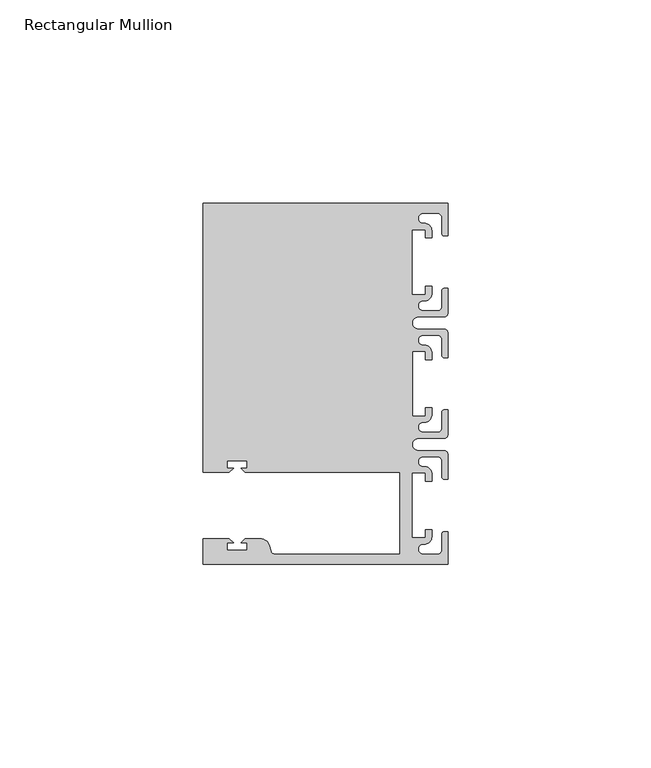
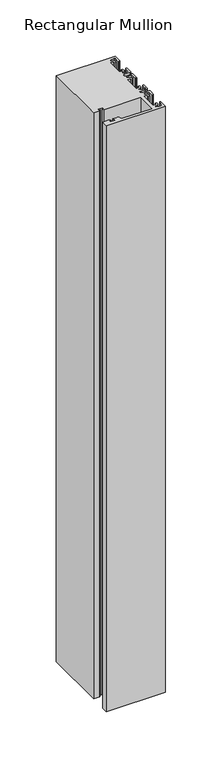
"""IFC4 building model written with IfcOpenShell, lengths in millimetres: member geometry, Rectangular Mullion."""

import ifcopenshell
import ifcopenshell.guid

model = None  # the IFC model being written
_history = None  # IfcOwnerHistory: only IFC2X3 demands one
_inside = {}  # id of a spatial element -> (the spatial element, [elements in it])
_under = {}  # id of a project, library or spatial element -> (it, [spatial elements below it])
_declared = {}  # id of a project -> (the project, [libraries it declares])
_typed = {}  # id of a type object -> (the type object, [elements of that type])
_made_of = {}  # id of a material, layer set ... -> (it, [elements and type objects made of it])


def new_model(schema):
    """Start an empty IFC model of exactly this schema.

    Asked for "IFC4X3", IfcOpenShell would pick the latest addendum, in which some entities
    have other attributes; the version numbers below select the first issue.
    IFC2X3 requires an IfcOwnerHistory on every rooted entity: one is made here for all.
    """
    global model, _history
    if schema == "IFC4X3":
        model = ifcopenshell.file(schema_version=(4, 3, 0, 0))
    else:
        model = ifcopenshell.file(schema=schema)
    _inside.clear()
    _under.clear()
    _declared.clear()
    _typed.clear()
    _made_of.clear()
    _history = None
    if model.schema == "IFC2X3":
        org = make("IfcOrganization", Name="unknown")
        user = make(
            "IfcPersonAndOrganization",
            ThePerson=make("IfcPerson", FamilyName="unknown"),
            TheOrganization=org,
        )
        app = make(
            "IfcApplication",
            ApplicationDeveloper=org,
            Version="unknown",
            ApplicationFullName="unknown",
            ApplicationIdentifier="unknown",
        )
        _history = make(
            "IfcOwnerHistory",
            OwningUser=user,
            OwningApplication=app,
            ChangeAction="ADDED",
            CreationDate=0,
        )
    return model


def make(cls, **values):
    """One entity of the class cls with the attributes given. An attribute that is None is left unset."""
    return model.create_entity(
        cls, **{name: value for name, value in values.items() if value is not None}
    )


def rooted(cls, **values):
    """An entity with a GlobalId (a new one), such as an element, a storey or a relation."""
    return make(cls, GlobalId=ifcopenshell.guid.new(), OwnerHistory=_history, **values)


def si_unit(unit_type, name, prefix=None):
    """IfcSIUnit, for example si_unit("LENGTHUNIT", "METRE", prefix="MILLI")."""
    return make("IfcSIUnit", UnitType=unit_type, Prefix=prefix, Name=name)


def assignment(units):
    """IfcUnitAssignment: the units of a project."""
    return None if units is None else make("IfcUnitAssignment", Units=units)


def point(xyz):
    """IfcCartesianPoint."""
    return None if xyz is None else make("IfcCartesianPoint", Coordinates=xyz)


def direction(xyz):
    """IfcDirection."""
    return None if xyz is None else make("IfcDirection", DirectionRatios=xyz)


def frame(location, z_axis=None, x_axis=None):
    """IfcAxis2Placement3D, a coordinate frame: its origin and axes. An axis left out is left unset."""
    return make(
        "IfcAxis2Placement3D",
        Location=point(location),
        Axis=direction(z_axis),
        RefDirection=direction(x_axis),
    )


def frame_2d(location, x_axis=None):
    """IfcAxis2Placement2D, a coordinate frame in the plane: its origin and x axis."""
    return make(
        "IfcAxis2Placement2D", Location=point(location), RefDirection=direction(x_axis)
    )


def origin():
    """The frame at (0, 0, 0) with its axes left unset."""
    return frame((0.0, 0.0, 0.0))


def place(relative_to, where):
    """IfcLocalPlacement: puts the frame where relative to a parent placement (None: the world)."""
    return make(
        "IfcLocalPlacement", PlacementRelTo=relative_to, RelativePlacement=where
    )


def context(
    kind, dimensions, precision=None, world=None, true_north=None, identifier=None
):
    """IfcGeometricRepresentationContext, for example the 3D "Model" context."""
    return make(
        "IfcGeometricRepresentationContext",
        ContextIdentifier=identifier,
        ContextType=kind,
        CoordinateSpaceDimension=dimensions,
        Precision=precision,
        WorldCoordinateSystem=world,
        TrueNorth=true_north,
    )


def project(units=None, contexts=None):
    """IfcProject with its units and contexts."""
    return rooted(
        "IfcProject",
        Name="project",
        RepresentationContexts=contexts,
        UnitsInContext=assignment(units),
    )


def spatial(cls, under=None, at=None, **own):
    """A site, building, storey or space (cls), placed at a placement, below another one or the project."""
    s = rooted(cls, ObjectPlacement=at, **own)
    if under is not None:
        _under.setdefault(under.id(), (under, []))[1].append(s)
    return s


def polyline(points):
    """IfcPolyline through the points."""
    return make("IfcPolyline", Points=[point(p) for p in points])


def circle_curve(where, radius):
    """IfcCircle in the frame where."""
    return make("IfcCircle", Position=where, Radius=radius)


def trimmed(basis, trim1, trim2, sense, master):
    """IfcTrimmedCurve: the piece of a basis curve between two trims."""
    return make(
        "IfcTrimmedCurve",
        BasisCurve=basis,
        Trim1=trim1,
        Trim2=trim2,
        SenseAgreement=sense,
        MasterRepresentation=master,
    )


def segment(curve, same_sense, transition):
    """IfcCompositeCurveSegment."""
    return make(
        "IfcCompositeCurveSegment",
        Transition=transition,
        SameSense=same_sense,
        ParentCurve=curve,
    )


def composite_curve(segments, self_intersect=None):
    """IfcCompositeCurve: segments joined end to end."""
    return make("IfcCompositeCurve", Segments=segments, SelfIntersect=self_intersect)


def outline(outer, holes=None, kind="AREA"):
    """IfcArbitraryClosedProfileDef: a profile drawn as a closed curve; with holes, ...WithVoids."""
    if holes is None:
        return make("IfcArbitraryClosedProfileDef", ProfileType=kind, OuterCurve=outer)
    return make(
        "IfcArbitraryProfileDefWithVoids",
        ProfileType=kind,
        OuterCurve=outer,
        InnerCurves=holes,
    )


def extrude(swept, where, along, depth):
    """IfcExtrudedAreaSolid: the profile swept, set in the frame where, extruded along a direction by depth."""
    return make(
        "IfcExtrudedAreaSolid",
        SweptArea=swept,
        Position=where,
        ExtrudedDirection=direction(along),
        Depth=depth,
    )


def shape(context_of_items, identifier, shape_type, items):
    """IfcShapeRepresentation: the items that make up one representation, for example the "Body"."""
    return make(
        "IfcShapeRepresentation",
        ContextOfItems=context_of_items,
        RepresentationIdentifier=identifier,
        RepresentationType=shape_type,
        Items=items,
    )


def source(mapping_origin, context_of_items, identifier, shape_type, items):
    """IfcRepresentationMap: a shape defined once, which mapped items show again and again."""
    return make(
        "IfcRepresentationMap",
        MappingOrigin=mapping_origin,
        MappedRepresentation=shape(context_of_items, identifier, shape_type, items),
    )


def transform(
    local_origin,
    x_axis=None,
    y_axis=None,
    z_axis=None,
    scale=None,
    scale2=None,
    scale3=None,
    uniform=True,
):
    """IfcCartesianTransformationOperator3D, or its non-uniform kind. x_axis, y_axis, z_axis: its Axis1, 2, 3."""
    if uniform:
        return make(
            "IfcCartesianTransformationOperator3D",
            Axis1=direction(x_axis),
            Axis2=direction(y_axis),
            LocalOrigin=point(local_origin),
            Scale=scale,
            Axis3=direction(z_axis),
        )
    return make(
        "IfcCartesianTransformationOperator3DnonUniform",
        Axis1=direction(x_axis),
        Axis2=direction(y_axis),
        LocalOrigin=point(local_origin),
        Scale=scale,
        Axis3=direction(z_axis),
        Scale2=scale2,
        Scale3=scale3,
    )


def mapped(mapping_source, mapping_target):
    """IfcMappedItem: shows the shape of a source again, moved by a transform."""
    return make(
        "IfcMappedItem", MappingSource=mapping_source, MappingTarget=mapping_target
    )


def made_of(thing, what):
    """Note that an element or type object is made of a material, layer set ...; save() writes the relation."""
    if what is not None:
        _made_of.setdefault(what.id(), (what, []))[1].append(thing)
    return thing


def element(
    cls,
    number,
    at=None,
    inside=None,
    cuts=None,
    type_object=None,
    material=None,
    context=None,
    identifier="Body",
    shape_type=None,
    held_by="IfcProductDefinitionShape",
    body=None,
    shapes=None,
    **own,
):
    """One element of the class cls, such as IfcWall. Its Tag is "e" and its number.

    at: its placement. inside: the storey or other place that contains it. cuts: it is an
    opening in that element (IfcRelVoidsElement). A single representation is given by context,
    identifier, shape_type and body (its items); several are given by shapes. held_by: the class
    of the entity that holds the representations. save() writes the other relations.
    """
    e = rooted(cls, Tag="e%d" % number, ObjectPlacement=at, **own)
    if body is not None:
        shapes = [shape(context, identifier, shape_type, body)]
    if shapes is not None:
        e.Representation = make(held_by, Representations=shapes)
    if inside is not None:
        _inside.setdefault(inside.id(), (inside, []))[1].append(e)
    if cuts is not None:
        rooted(
            "IfcRelVoidsElement", RelatingBuildingElement=cuts, RelatedOpeningElement=e
        )
    if type_object is not None:
        _typed.setdefault(type_object.id(), (type_object, []))[1].append(e)
    return made_of(e, material)


def aggregate(whole, parts):
    """IfcRelAggregates: a whole, such as a stair, and the parts it consists of."""
    return rooted("IfcRelAggregates", RelatingObject=whole, RelatedObjects=parts)


def save(model, path):
    """Write the relations noted so far, then the file.

    IfcRelAggregates (storeys below a building ...), IfcRelContainedInSpatialStructure (elements
    in a storey), IfcRelDefinesByType, IfcRelAssociatesMaterial and IfcRelDeclares: one each for
    every whole, place, type object, material and project.
    """
    for whole, parts in _under.values():
        aggregate(whole, parts)
    for where, things in _inside.values():
        rooted(
            "IfcRelContainedInSpatialStructure",
            RelatedElements=things,
            RelatingStructure=where,
        )
    for kind, things in _typed.values():
        rooted("IfcRelDefinesByType", RelatedObjects=things, RelatingType=kind)
    for what, things in _made_of.values():
        rooted("IfcRelAssociatesMaterial", RelatedObjects=things, RelatingMaterial=what)
    for by, libraries in _declared.values():
        rooted("IfcRelDeclares", RelatingContext=by, RelatedDefinitions=libraries)
    model.write(path)


def rectangular_mullion_14edd53b(model_context):
    return source(origin(), model_context, "Body", "SweptSolid", [
        extrude(outline(composite_curve([segment(polyline([(0.0, -44.45), (-60.3249977, -44.45), (-60.3249977, -38.1499897), (-53.8507531, -38.1499897), (-52.8507405, -39.1500023), (-54.4249778, -39.1500023), (-54.4249778, -40.9498819), (-49.4249831, -40.9498819), (-49.4249831, -39.1500023), (-50.999256, -39.1500023), (-49.9992503, -38.1499966), (-46.3137853, -38.1499966)]), True, "CONTINUOUS"), segment(trimmed(circle_curve(frame_2d((-46.3137853, -40.6499966)), 2.5), [point((-46.3137853, -38.1499966))], [point((-43.8989707, -40.002949))], False, "CARTESIAN"), True, "CONTINUOUS"), segment(polyline([(-43.8989707, -40.002949), (-43.5758588, -41.2088192)]), True, "CONTINUOUS"), segment(trimmed(circle_curve(frame_2d((-42.6099329, -40.9500001)), 1.0), [point((-43.5758588, -41.2088192))], [point((-42.6099329, -41.9500001))], True, "CARTESIAN"), True, "CONTINUOUS"), segment(polyline([(-42.6099329, -41.9500001), (-11.8, -41.95), (-11.8, -21.7499959), (-49.9992434, -21.7499959), (-50.999256, -20.7499834), (-49.4250186, -20.7499834), (-49.4250186, -18.949936), (-54.4250134, -18.949936), (-54.4250134, -20.7499834), (-52.8507405, -20.7499834), (-53.8507562, -21.749999), (-60.325, -21.749999), (-60.325, 44.45), (0.0, 44.45), (0.0, 36.4500318), (-1.0, 36.4500318)]), True, "CONTINUOUS"), segment(trimmed(circle_curve(frame_2d((-1.0, 36.9500318)), 0.5), [point((-1.0, 36.4500318))], [point((-1.5, 36.9500318))], False, "CARTESIAN"), True, "CONTINUOUS"), segment(polyline([(-1.5, 36.9500318), (-1.5, 40.95)]), True, "CONTINUOUS"), segment(trimmed(circle_curve(frame_2d((-2.5, 40.95)), 1.0), [point((-1.5, 40.95))], [point((-2.5, 41.95))], True, "CARTESIAN"), True, "CONTINUOUS"), segment(polyline([(-2.5, 41.95), (-6.0499986, 41.95)]), True, "CONTINUOUS"), segment(trimmed(circle_curve(frame_2d((-6.0499986, 40.6999986)), 1.2500014), [point((-6.0499986, 41.95))], [point((-5.9027291, 39.4587029))], True, "CARTESIAN"), True, "CONTINUOUS"), segment(trimmed(circle_curve(frame_2d((-5.7186029, 37.7499972)), 1.7185975), [point((-5.9027291, 39.4587029))], [point((-4.0000054, 37.7499972))], False, "CARTESIAN"), True, "CONTINUOUS"), segment(polyline([(-4.0000054, 37.7499972), (-4.0000054, 35.9500318), (-5.5, 35.9500318), (-5.5, 37.9499972), (-8.8585786, 37.9499972), (-8.8585786, 21.9499956), (-5.5, 21.9499956), (-5.5, 23.9499611), (-3.9999946, 23.9499611), (-3.9999946, 22.0272972)]), True, "CONTINUOUS"), segment(trimmed(circle_curve(frame_2d((-5.7543344, 22.1865598)), 1.761554), [point((-3.9999946, 22.0272972))], [point((-6.0499986, 20.4499956))], False, "CARTESIAN"), True, "CONTINUOUS"), segment(trimmed(circle_curve(frame_2d((-6.0499986, 19.1999942)), 1.2500014), [point((-6.0499986, 20.4499956))], [point((-6.0499986, 17.9499929))], True, "CARTESIAN"), True, "CONTINUOUS"), segment(polyline([(-6.0499986, 17.9499929), (-2.5, 17.9499929)]), True, "CONTINUOUS"), segment(trimmed(circle_curve(frame_2d((-2.5, 18.9499929)), 1.0), [point((-2.5, 17.9499929))], [point((-1.5, 18.9499929))], True, "CARTESIAN"), True, "CONTINUOUS"), segment(polyline([(-1.5, 18.9499929), (-1.5, 22.9499611)]), True, "CONTINUOUS"), segment(trimmed(circle_curve(frame_2d((-1.0, 22.9499611)), 0.5), [point((-1.5, 22.9499611))], [point((-1.0, 23.4499611))], False, "CARTESIAN"), True, "CONTINUOUS"), segment(polyline([(-1.0, 23.4499611), (0.0, 23.4499611), (0.0, 17.4499929)]), True, "CONTINUOUS"), segment(trimmed(circle_curve(frame_2d((-1.0, 17.4499929)), 1.0), [point((0.0, 17.4499929))], [point((-1.0, 16.4499929))], False, "CARTESIAN"), True, "CONTINUOUS"), segment(polyline([(-1.0, 16.4499929), (-7.3, 16.4499929)]), True, "CONTINUOUS"), segment(trimmed(circle_curve(frame_2d((-7.3, 14.9499929)), 1.5), [point((-7.3, 16.4499929))], [point((-7.3046244, 13.45))], True, "CARTESIAN"), True, "CONTINUOUS"), segment(polyline([(-7.3046244, 13.45), (-1.0, 13.45)]), True, "CONTINUOUS"), segment(trimmed(circle_curve(frame_2d((-1.0, 12.45)), 1.0), [point((-1.0, 13.45))], [point((0.0, 12.45))], False, "CARTESIAN"), True, "CONTINUOUS"), segment(polyline([(0.0, 12.45), (0.0, 6.4500354), (-0.9999964, 6.4500354)]), True, "CONTINUOUS"), segment(trimmed(circle_curve(frame_2d((-0.9999964, 6.9500354)), 0.5), [point((-0.9999964, 6.4500354))], [point((-1.4999964, 6.9500354))], False, "CARTESIAN"), True, "CONTINUOUS"), segment(polyline([(-1.4999964, 6.9500354), (-1.4999964, 10.95)]), True, "CONTINUOUS"), segment(trimmed(circle_curve(frame_2d((-2.4999964, 10.95)), 1.0), [point((-1.4999964, 10.95))], [point((-2.4999964, 11.95))], True, "CARTESIAN"), True, "CONTINUOUS"), segment(polyline([(-2.4999964, 11.95), (-6.0499986, 11.95)]), True, "CONTINUOUS"), segment(trimmed(circle_curve(frame_2d((-6.0499986, 10.6999986)), 1.2500014), [point((-6.0499986, 11.95))], [point((-6.0499986, 9.4499972))], True, "CARTESIAN"), True, "CONTINUOUS"), segment(trimmed(circle_curve(frame_2d((-5.7298824, 7.7499972)), 1.729877), [point((-6.0499986, 9.4499972))], [point((-4.0000054, 7.7499972))], False, "CARTESIAN"), True, "CONTINUOUS"), segment(polyline([(-4.0000054, 7.7499972), (-4.0000054, 5.9500318), (-5.5, 5.9500318), (-5.5, 7.9499972), (-8.8, 7.9499972), (-8.8, -7.9499972), (-5.5, -7.9499972), (-5.5, -5.9500318), (-4.0000054, -5.9500318), (-4.0000054, -7.7499972)]), True, "CONTINUOUS"), segment(trimmed(circle_curve(frame_2d((-5.7298824, -7.7499972)), 1.729877), [point((-4.0000054, -7.7499972))], [point((-6.0499986, -9.4499972))], False, "CARTESIAN"), True, "CONTINUOUS"), segment(trimmed(circle_curve(frame_2d((-6.0499986, -10.6999986)), 1.2500014), [point((-6.0499986, -9.4499972))], [point((-6.0499986, -11.95))], True, "CARTESIAN"), True, "CONTINUOUS"), segment(polyline([(-6.0499986, -11.95), (-2.4999964, -11.95)]), True, "CONTINUOUS"), segment(trimmed(circle_curve(frame_2d((-2.4999964, -10.95)), 1.0), [point((-2.4999964, -11.95))], [point((-1.4999964, -10.95))], True, "CARTESIAN"), True, "CONTINUOUS"), segment(polyline([(-1.4999964, -10.95), (-1.4999964, -6.9500354)]), True, "CONTINUOUS"), segment(trimmed(circle_curve(frame_2d((-0.9999964, -6.9500354)), 0.5), [point((-1.4999964, -6.9500354))], [point((-0.9999964, -6.4500354))], False, "CARTESIAN"), True, "CONTINUOUS"), segment(polyline([(-0.9999964, -6.4500354), (0.0, -6.4500354), (0.0, -12.45)]), True, "CONTINUOUS"), segment(trimmed(circle_curve(frame_2d((-1.0, -12.45)), 1.0), [point((0.0, -12.45))], [point((-1.0, -13.45))], False, "CARTESIAN"), True, "CONTINUOUS"), segment(polyline([(-1.0, -13.45), (-7.3046244, -13.45)]), True, "CONTINUOUS"), segment(trimmed(circle_curve(frame_2d((-7.3, -14.9499929)), 1.5), [point((-7.3046244, -13.45))], [point((-7.3, -16.4499929))], True, "CARTESIAN"), True, "CONTINUOUS"), segment(polyline([(-7.3, -16.4499929), (-1.0, -16.4499929)]), True, "CONTINUOUS"), segment(trimmed(circle_curve(frame_2d((-1.0, -17.4499929)), 1.0), [point((-1.0, -16.4499929))], [point((0.0, -17.4499929))], False, "CARTESIAN"), True, "CONTINUOUS"), segment(polyline([(0.0, -17.4499929), (0.0, -23.4499611), (-1.0, -23.4499611)]), True, "CONTINUOUS"), segment(trimmed(circle_curve(frame_2d((-1.0, -22.9499611)), 0.5), [point((-1.0, -23.4499611))], [point((-1.5, -22.9499611))], False, "CARTESIAN"), True, "CONTINUOUS"), segment(polyline([(-1.5, -22.9499611), (-1.5, -18.9499929)]), True, "CONTINUOUS"), segment(trimmed(circle_curve(frame_2d((-2.5, -18.9499929)), 1.0), [point((-1.5, -18.9499929))], [point((-2.5, -17.9499929))], True, "CARTESIAN"), True, "CONTINUOUS"), segment(polyline([(-2.5, -17.9499929), (-6.0499986, -17.9499929)]), True, "CONTINUOUS"), segment(trimmed(circle_curve(frame_2d((-6.0499986, -19.1999942)), 1.2500014), [point((-6.0499986, -17.9499929))], [point((-6.0499986, -20.4499956))], True, "CARTESIAN"), True, "CONTINUOUS"), segment(trimmed(circle_curve(frame_2d((-5.7543344, -22.1865598)), 1.761554), [point((-6.0499986, -20.4499956))], [point((-3.9999946, -22.0272972))], False, "CARTESIAN"), True, "CONTINUOUS"), segment(polyline([(-3.9999946, -22.0272972), (-3.9999946, -23.9499611), (-5.5, -23.9499611), (-5.5, -21.9499956), (-8.8585786, -21.9499956), (-8.8585786, -37.9499972), (-5.5, -37.9499972), (-5.5, -35.9500318), (-4.0000054, -35.9500318), (-4.0000054, -37.7499972)]), True, "CONTINUOUS"), segment(trimmed(circle_curve(frame_2d((-5.7186029, -37.7499972)), 1.7185975), [point((-4.0000054, -37.7499972))], [point((-5.9027291, -39.4587029))], False, "CARTESIAN"), True, "CONTINUOUS"), segment(trimmed(circle_curve(frame_2d((-6.0499986, -40.6999986)), 1.2500014), [point((-5.9027291, -39.4587029))], [point((-6.0499986, -41.95))], True, "CARTESIAN"), True, "CONTINUOUS"), segment(polyline([(-6.0499986, -41.95), (-2.5, -41.95)]), True, "CONTINUOUS"), segment(trimmed(circle_curve(frame_2d((-2.5, -40.95)), 1.0), [point((-2.5, -41.95))], [point((-1.5, -40.95))], True, "CARTESIAN"), True, "CONTINUOUS"), segment(polyline([(-1.5, -40.95), (-1.5, -36.9500318)]), True, "CONTINUOUS"), segment(trimmed(circle_curve(frame_2d((-1.0, -36.9500318)), 0.5), [point((-1.5, -36.9500318))], [point((-1.0, -36.4500318))], False, "CARTESIAN"), True, "CONTINUOUS"), segment(polyline([(-1.0, -36.4500318), (0.0, -36.4500318), (0.0, -44.45)]), True, "CONTINUOUS")], self_intersect=False)), frame((0.0, 0.0, -635.0), z_axis=(0.0, 0.0, 1.0), x_axis=(1.0, 0.0, 0.0)), (0.0, 0.0, 1.0), 635.0),
    ])


if __name__ == "__main__":
    model = new_model("IFC4")
    model_context = context("Model", 3, world=origin())
    ifc_project = project(units=[si_unit("LENGTHUNIT", "METRE", prefix="MILLI")], contexts=[model_context])
    site = spatial("IfcSite", under=ifc_project)
    building = spatial("IfcBuilding", under=site)
    placement = place(None, origin())
    rectangular_mullion_shape = rectangular_mullion_14edd53b(model_context)
    element("IfcMember", 1, ObjectType="Rectangular Mullion", at=placement, inside=building, context=model_context, shape_type="MappedRepresentation", body=[
        mapped(rectangular_mullion_shape, transform((0.0, 0.0, 0.0), x_axis=(1.0, 0.0, 0.0), y_axis=(0.0, 1.0, 0.0), z_axis=(0.0, 0.0, 1.0))),
    ])
    save(model, "model.ifc")
